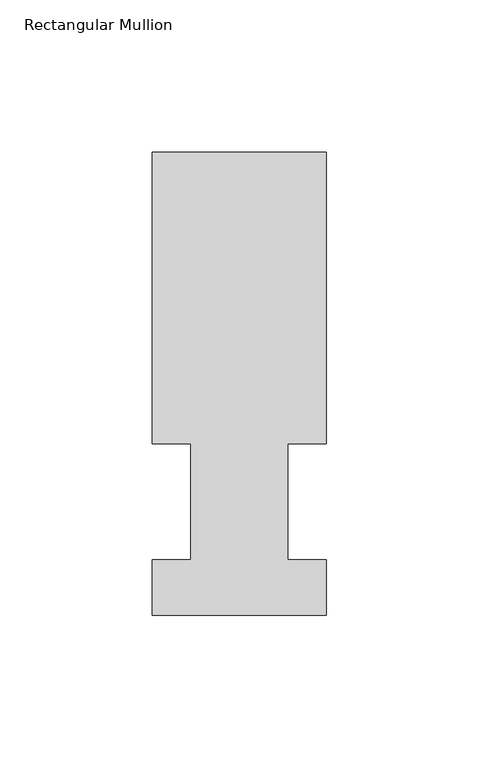
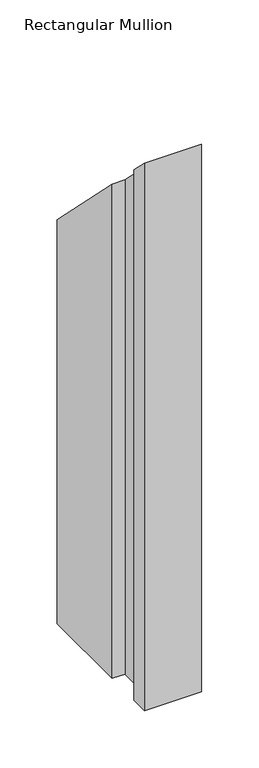
"""IFC4 building model written with IfcOpenShell, lengths in millimetres: member geometry, Rectangular Mullion."""

from ifc_helpers import new_model, si_unit, origin, place, context, project, spatial, faceted_brep, source, transform, mapped, element, save


def rectangular_mullion_03d1d87b(model_context):
    return source(origin(), model_context, "Body", "Brep", [
        faceted_brep([(0.0, 151.98725, -581.025), (0.0, 56.35625, -581.025), (-12.7, 56.35625, -581.025), (-12.7, 18.25625, -581.025), (0.0, 18.25625, -581.025), (0.0, -0.03175, -581.025), (-57.15, -0.03175, -581.025), (-57.15, 18.25625, -581.025), (-44.45, 18.25625, -581.025), (-44.45, 56.35625, -581.025), (-57.15, 56.35625, -581.025), (-57.15, 151.98725, -581.025), (-57.15, 151.98725, -151.98725), (0.0, 151.98725, -151.98725), (-57.15, 56.35625, -56.35625), (-44.45, 56.35625, -56.35625), (-44.45, 18.25625, -18.25625), (-57.15, 18.25625, -18.25625), (-57.15, -0.03175, 0.03175), (0.0, -0.03175, 0.03175), (0.0, 18.25625, -18.25625), (-12.7, 18.25625, -18.25625), (-12.7, 56.35625, -56.35625), (0.0, 56.35625, -56.35625)], [[[0, 1, 2, 3, 4, 5, 6, 7, 8, 9, 10, 11]], [[12, 13, 0, 11]], [[14, 12, 11, 10]], [[15, 14, 10, 9]], [[16, 15, 9, 8]], [[17, 16, 8, 7]], [[18, 17, 7, 6]], [[19, 18, 6, 5]], [[20, 19, 5, 4]], [[21, 20, 4, 3]], [[22, 21, 3, 2]], [[23, 22, 2, 1]], [[13, 23, 1, 0]], [[13, 12, 14, 15, 16, 17, 18, 19, 20, 21, 22, 23]]]),
    ])


if __name__ == "__main__":
    model = new_model("IFC4")
    model_context = context("Model", 3, world=origin())
    ifc_project = project(units=[si_unit("LENGTHUNIT", "METRE", prefix="MILLI")], contexts=[model_context])
    site = spatial("IfcSite", under=ifc_project)
    building = spatial("IfcBuilding", under=site)
    placement = place(None, origin())
    rectangular_mullion_shape = rectangular_mullion_03d1d87b(model_context)
    element("IfcMember", 1, ObjectType="Rectangular Mullion", at=placement, inside=building, context=model_context, shape_type="MappedRepresentation", body=[
        mapped(rectangular_mullion_shape, transform((0.0, 0.0, 0.0), x_axis=(1.0, 0.0, 0.0), y_axis=(0.0, 1.0, 0.0), z_axis=(0.0, 0.0, 1.0))),
    ])
    save(model, "model.ifc")
